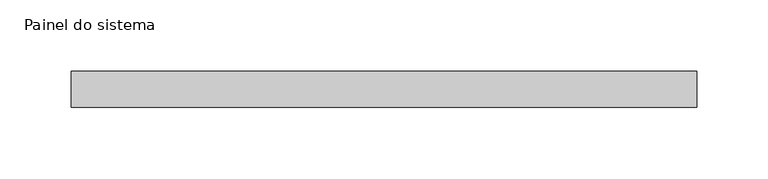
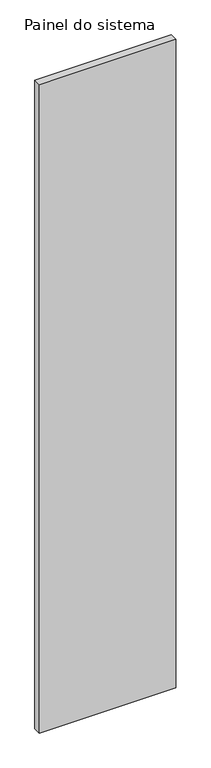
"""IFC4 building model written with IfcOpenShell, lengths in millimetres: plate geometry, Painel do sistema."""

from ifc_helpers import new_model, si_unit, origin, origin_with_axes, place, context, project, spatial, polyline, outline, extrude, source, transform, mapped, element, save


def painel_do_sistema_59feee6b(model_context):
    return source(origin(), model_context, "Body", "SweptSolid", [
        extrude(outline(polyline([(219.0499998, 24.5), (-219.0499998, 24.5), (-219.0499998, 49.5), (219.0499998, 49.5), (219.0499998, 24.5)])), origin_with_axes(), (0.0, 0.0, 1.0), 2200.0),
    ])


if __name__ == "__main__":
    model = new_model("IFC4")
    model_context = context("Model", 3, world=origin())
    ifc_project = project(units=[si_unit("LENGTHUNIT", "METRE", prefix="MILLI")], contexts=[model_context])
    site = spatial("IfcSite", under=ifc_project)
    building = spatial("IfcBuilding", under=site)
    placement = place(None, origin())
    painel_do_sistema_shape = painel_do_sistema_59feee6b(model_context)
    element("IfcPlate", 1, ObjectType="Painel do sistema", at=placement, inside=building, context=model_context, shape_type="MappedRepresentation", body=[
        mapped(painel_do_sistema_shape, transform((0.0, 0.0, 0.0), x_axis=(1.0, 0.0, 0.0), y_axis=(0.0, 1.0, 0.0), z_axis=(0.0, 0.0, 1.0))),
    ])
    save(model, "model.ifc")
